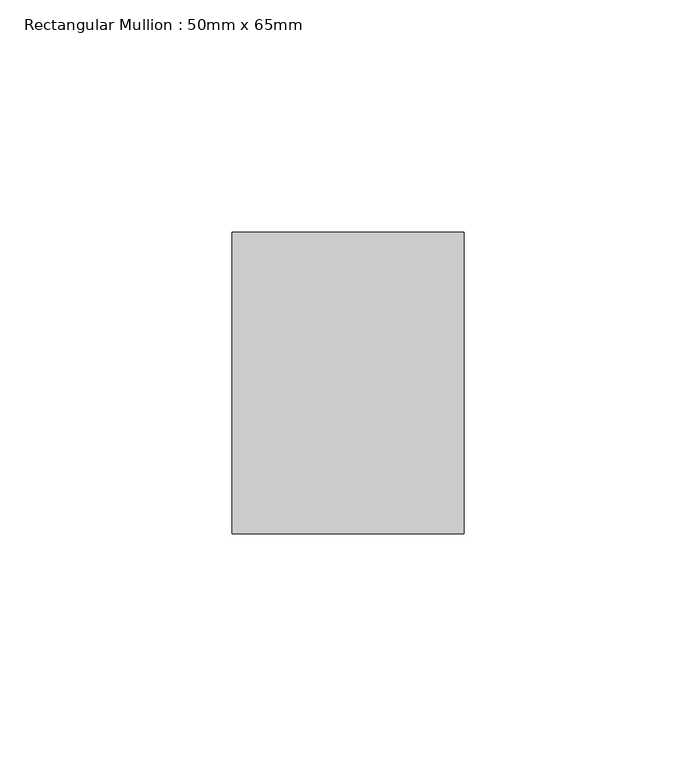
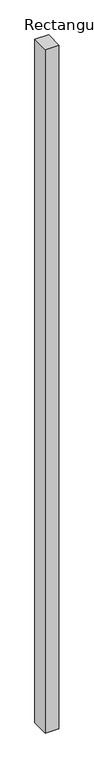
"""IFC4 building model written with IfcOpenShell, lengths in millimetres: member geometry, Rectangular Mullion : 50mm x 65mm."""

from ifc_helpers import new_model, si_unit, frame, origin, place, context, project, spatial, polyline, outline, extrude, source, transform, mapped, element, save


def rectangular_mullion_50mm_x_65mm_47e7415a(model_context):
    return source(origin(), model_context, "Body", "SweptSolid", [
        extrude(outline(polyline([(25.0, 32.5), (25.0, -32.5), (-25.0, -32.5), (-25.0, 32.5), (25.0, 32.5)])), frame((0.0, 0.0, -2625.0754965), z_axis=(0.0, 0.0, 1.0), x_axis=(1.0, 0.0, 0.0)), (0.0, 0.0, 1.0), 2625.0754965),
    ])


if __name__ == "__main__":
    model = new_model("IFC4")
    model_context = context("Model", 3, world=origin())
    ifc_project = project(units=[si_unit("LENGTHUNIT", "METRE", prefix="MILLI")], contexts=[model_context])
    site = spatial("IfcSite", under=ifc_project)
    building = spatial("IfcBuilding", under=site)
    placement = place(None, origin())
    rectangular_mullion_50mm_x_65mm_shape = rectangular_mullion_50mm_x_65mm_47e7415a(model_context)
    element("IfcMember", 1, ObjectType="Rectangular Mullion : 50mm x 65mm", at=placement, inside=building, context=model_context, shape_type="MappedRepresentation", body=[
        mapped(rectangular_mullion_50mm_x_65mm_shape, transform((0.0, 0.0, 0.0), x_axis=(1.0, 0.0, 0.0), y_axis=(0.0, 1.0, 0.0), z_axis=(0.0, 0.0, 1.0))),
    ])
    save(model, "model.ifc")
